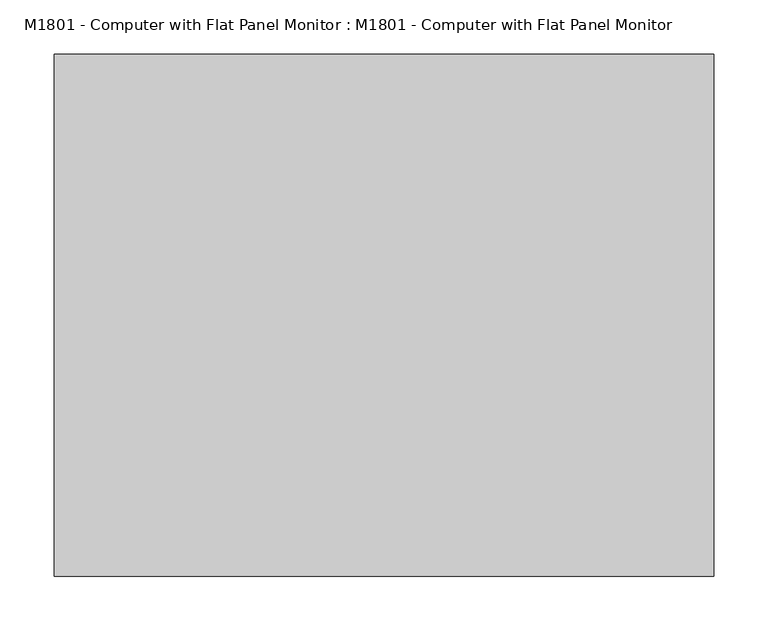
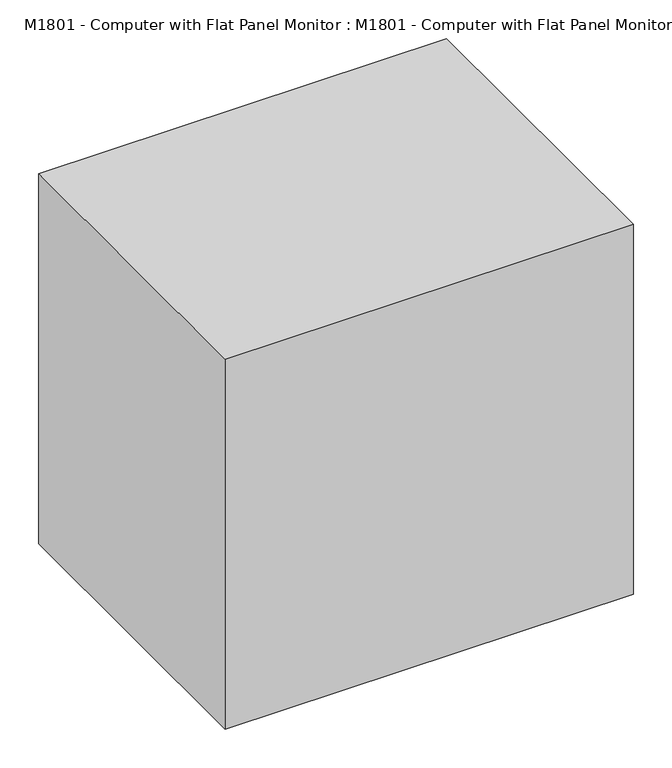
"""IFC4 building model written with IfcOpenShell, lengths in millimetres: proxy geometry, M1801 - Computer with Flat Panel Monitor : M1801 - Computer with Flat Panel Monitor."""

from ifc_helpers import new_model, si_unit, frame, origin, origin_with_axes, place, context, project, spatial, polyline, outline, extrude, faceted_brep, source, transform, mapped, element, save


def m1801_computer_with_flat_panel_monitor_m1801_computer_with_cf90e1c8(model_context):
    return source(origin(), model_context, "Body", "SolidModel", [
        faceted_brep([(203.2, 133.2656905, 431.8), (-203.2, 133.2656905, 431.8), (-203.2, 82.6343095, 431.8), (203.2, 82.6343095, 431.8), (203.2, 133.2656905, 152.4), (203.2, 82.6343095, 152.4), (-203.2, 82.6343095, 152.4), (-203.2, 133.2656905, 152.4), (-190.5, 82.6343095, 419.1), (190.5, 82.6343095, 419.1), (190.5, 82.6343095, 165.1), (-190.5, 82.6343095, 165.1), (190.5, 87.4205119, 419.1), (-190.5, 87.4205119, 419.1), (190.5, 87.4205119, 165.1), (-190.5, 87.4205119, 165.1)], [[[0, 1, 2, 3]], [[4, 5, 6, 7]], [[1, 0, 4, 7]], [[2, 1, 7, 6]], [[3, 2, 6, 5], [8, 9, 10, 11]], [[0, 3, 5, 4]], [[12, 9, 8, 13]], [[14, 15, 11, 10]], [[12, 13, 15, 14]], [[13, 8, 11, 15]], [[9, 12, 14, 10]]]),
        faceted_brep([(109.1218395, 34.0676261, 25.4), (109.1218395, 34.0676261, 0.0), (109.1218395, 215.9, 0.0), (109.1218395, 215.9, 25.4), (-109.1218395, 215.9, 25.4), (-109.1218395, 215.9, 0.0), (-109.1218395, 34.0676261, 0.0), (-109.1218395, 34.0676261, 25.4), (36.9685686, 196.7656905, 31.75), (36.9685686, 196.7656905, 25.4), (-36.9685686, 196.7656905, 25.4), (-36.9685686, 196.7656905, 31.75), (36.9685686, 196.7656905, 292.1), (-36.9685686, 196.7656905, 292.1), (36.9685686, 133.2656905, 292.1), (-36.9685686, 133.2656905, 292.1), (36.9685686, 133.2656905, 241.3), (-36.9685686, 133.2656905, 241.3), (36.9685686, 171.3656905, 241.3), (-36.9685686, 171.3656905, 241.3), (36.9685686, 171.3656905, 25.4), (-36.9685686, 171.3656905, 25.4)], [[[0, 1, 2, 3]], [[4, 5, 6, 7]], [[8, 9, 10, 11]], [[12, 8, 11, 13]], [[14, 12, 13, 15]], [[16, 14, 15, 17]], [[18, 16, 17, 19]], [[20, 18, 19, 21]], [[0, 3, 4, 7], [9, 20, 21, 10]], [[1, 0, 7, 6]], [[2, 1, 6, 5]], [[3, 2, 5, 4]], [[20, 9, 8, 12, 14, 16, 18]], [[10, 21, 19, 17, 15, 13, 11]]]),
        extrude(outline(polyline([(-171.45, 0.0), (-171.45, 12.7), (-19.05, 25.4), (-19.05, 0.0), (-171.45, 0.0)])), frame((-203.2, 0.0, 0.0), z_axis=(1.0, 0.0, 0.0), x_axis=(0.0, 1.0, 0.0)), (0.0, 0.0, 1.0), 406.4),
        extrude(outline(polyline([(304.8, 241.3), (304.8, -241.3), (-304.8, -241.3), (-304.8, 241.3), (304.8, 241.3)])), origin_with_axes(), (0.0, 0.0, 1.0), 584.2),
    ])


if __name__ == "__main__":
    model = new_model("IFC4")
    model_context = context("Model", 3, world=origin())
    ifc_project = project(units=[si_unit("LENGTHUNIT", "METRE", prefix="MILLI")], contexts=[model_context])
    site = spatial("IfcSite", under=ifc_project)
    building = spatial("IfcBuilding", under=site)
    placement = place(None, origin())
    m1801_computer_with_flat_panel_monitor_m1801_computer_with_shape = m1801_computer_with_flat_panel_monitor_m1801_computer_with_cf90e1c8(model_context)
    element("IfcBuildingElementProxy", 1, Name="M1801 - Computer with Flat Panel Monitor : M1801 - Computer with Flat Panel Monitor", ObjectType="M1801 - Computer with Flat Panel Monitor : M1801 - Computer with Flat Panel Monitor", at=placement, inside=building, context=model_context, shape_type="MappedRepresentation", body=[
        mapped(m1801_computer_with_flat_panel_monitor_m1801_computer_with_shape, transform((0.0, 0.0, 0.0), x_axis=(1.0, 0.0, 0.0), y_axis=(0.0, 1.0, 0.0), z_axis=(0.0, 0.0, 1.0))),
    ])
    save(model, "model.ifc")
